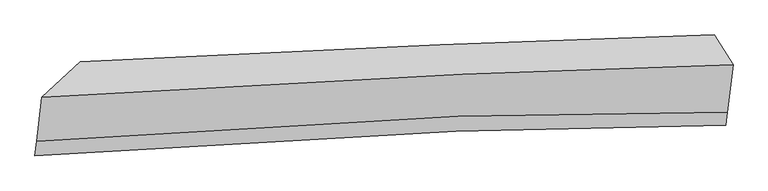
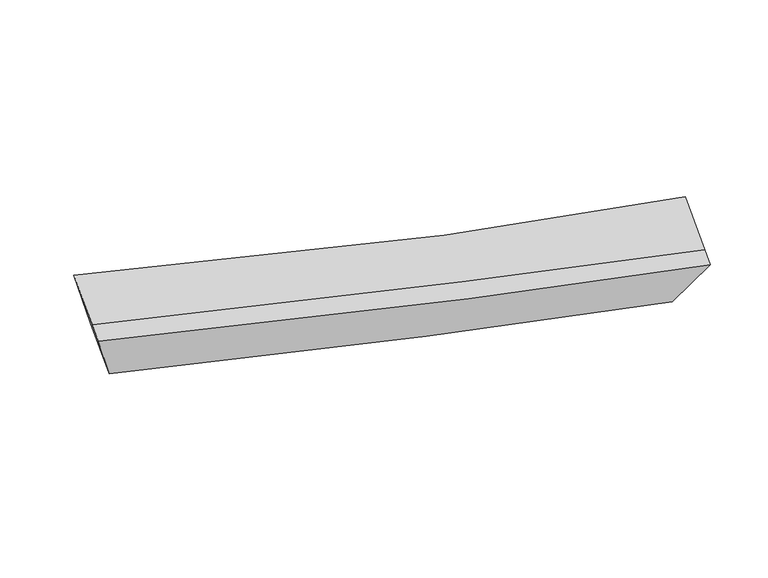
"""IFC4 building model written with IfcOpenShell, lengths in millimetres: proxy geometry."""

from ifc_helpers import new_model, si_unit, frame, origin, place, context, project, spatial, source, transform, mapped, element, save
from ifc_brep_helpers import plane_surface, spline_curve, spline_surface, advanced_brep


def generic_models_f0b296f9(model_context):
    return source(origin(), model_context, "Body", "AdvancedBrep", [
        advanced_brep(
        [(-2493.350851, -1810.0151732, 3650.7536475), (-2835.9173741, -2124.5557928, 4451.0052859), (3317.0169262, -1834.586629, 2934.428416), (3149.9976206, -1570.6299315, 2290.9066007), (-2883.0808802, -2517.2804333, 4194.2382363), (3266.3294896, -2256.6545999, 2658.476422), (-2898.5827366, -2646.3624608, 4109.8431972), (3252.3278129, -2373.2448183, 2582.2486448), (-2542.0627294, -2215.6329172, 3385.556966), (3100.0374274, -1986.6422369, 2018.9138575)],
        [
            (0, 1),
            (1, 2, spline_curve(3, [(-2835.9173741, -2124.5557928, 4451.0052859), (-1551.12409733, -2042.74640657, 4055.603185846), (-302.808147232, -1975.340792224, 3716.161431412), (1728.367341122, -1886.503845067, 3241.015255268), (2531.029491009, -1857.253071557, 3074.931386164), (3317.0169262, -1834.586629, 2934.428416)], [4, 2, 4], [0.0, 11.901186653203098, 19.94770437162308])),
            (2, 3),
            (3, 0, spline_curve(3, [(3149.9976206, -1570.6299315, 2290.9066007), (2299.526459382, -1598.858680167, 2450.46705608), (1486.031315622, -1628.684429492, 2619.420176396), (-438.996940183, -1706.582938589, 3061.54795411), (-1506.617953747, -1756.552269777, 3345.877182676), (-2493.350851, -1810.0151732, 3650.7536475)], [4, 2, 4], [0.0, 8.046517718419981, 19.94770437162308])),
            (1, 4),
            (4, 5, spline_curve(3, [(-2883.0808802, -2517.2804333, 4194.2382363), (-1595.095972052, -2408.8947286, 3816.211982416), (-345.910699153, -2334.250373403, 3481.502984255), (1682.829423252, -2265.692415321, 2993.098215197), (2483.447607063, -2253.46149245, 2815.886608205), (3266.3294896, -2256.6545999, 2658.476422)], [4, 2, 4], [0.0, 12.42264139252695, 20.82172015562176])),
            (5, 2),
            (4, 6),
            (6, 7, spline_curve(3, [(-2898.5827366, -2646.3624608, 4109.8431972), (-1611.452319694, -2545.09199923, 3727.164930628), (-362.433733369, -2471.835623039, 3391.548459016), (1667.179840267, -2396.004542405, 2907.898925575), (2468.464770652, -2378.221704544, 2734.317212867), (3252.3278129, -2373.2448183, 2582.2486448)], [4, 2, 4], [0.0, 12.422651385300286, 20.82173690461446])),
            (7, 5),
            (6, 8),
            (8, 9, spline_curve(3, [(-2542.0627294, -2215.6329172, 3385.556966), (-1552.579999906, -2139.272502539, 3095.651108544), (-483.997871752, -2081.300089559, 2816.554369769), (1439.643230059, -2014.952241017, 2366.874662052), (2251.761154345, -1996.594427048, 2190.423698269), (3100.0374274, -1986.6422369, 2018.9138575)], [4, 2, 4], [0.0, 11.90026019402533, 19.946151523631613])),
            (9, 7),
            (8, 0),
            (3, 9),
        ],
        [
            spline_surface(3, 3, [[(-2493.350851, -1810.0151732, 3650.7536475), (-1506.617953763, -1756.552269733, 3345.87718269), (-438.996940334, -1706.582938591, 3061.547954044), (1486.031315725, -1628.684429491, 2619.42017644), (2299.526459506, -1598.858680082, 2450.467056203), (3149.9976206, -1570.6299315, 2290.9066007)], [(-2607.539692021, -1914.862046391, 3917.504193639), (-1521.453334945, -1851.95031533, 3582.452517068), (-393.600675941, -1796.168889758, 3279.75244654), (1566.809990847, -1714.624234712, 2826.61853601), (2376.694136687, -1684.990143948, 2658.621832865), (3205.670722482, -1658.615497331, 2505.413872471)], [(-2721.728533079, -2019.708919609, 4184.254739761), (-1536.288716165, -1947.348360956, 3819.02785143), (-348.20441156, -1885.754840925, 3497.956939058), (1647.588665957, -1800.564039935, 3033.816895602), (2453.861813823, -1771.121607821, 2866.776609514), (3261.343824318, -1746.601063169, 2719.921144229)], [(-2835.9173741, -2124.5557928, 4451.0052859), (-1551.124097347, -2042.746406553, 4055.603185808), (-302.808147167, -1975.340792093, 3716.161431554), (1728.367341079, -1886.503845156, 3241.015255171), (2531.029491004, -1857.253071686, 3074.931386176), (3317.0169262, -1834.586629, 2934.428416)]], [4, 4], [4, 2, 4], [0.0, 2.3551312317458395], [0.0, 11.901186653203098, 19.94770437162308]),
            spline_surface(3, 3, [[(-2835.9173741, -2124.5557928, 4451.0052859), (-1551.124097347, -2042.746406553, 4055.603185808), (-302.808147167, -1975.340792093, 3716.161431554), (1728.367341079, -1886.503845156, 3241.015255171), (2531.029491004, -1857.253071686, 3074.931386176), (3317.0169262, -1834.586629, 2934.428416)], [(-2851.638542788, -2255.464006314, 4365.41626935), (-1565.78138884, -2164.795847181, 3975.806117973), (-317.175664476, -2094.977319182, 3637.9419492), (1713.188035121, -2012.900035216, 3158.376241831), (2515.168863028, -1989.32254533, 2988.583126873), (3300.12111401, -1975.27595265, 2842.444417998)], [(-2867.359711512, -2386.372219786, 4279.82725285), (-1580.438680371, -2286.845287766, 3896.00905019), (-331.543181781, -2214.61384628, 3559.722466777), (1698.008729167, -2139.296225284, 3075.737228424), (2499.308235021, -2121.392018923, 2902.234867575), (3283.22530179, -2115.96527625, 2750.460420002)], [(-2883.0808802, -2517.2804333, 4194.2382363), (-1595.095971864, -2408.894728395, 3816.211982356), (-345.91069909, -2334.250373369, 3481.502984423), (1682.829423209, -2265.692415344, 2993.098215084), (2483.447607044, -2253.461492567, 2815.886608272), (3266.3294896, -2256.6545999, 2658.476422)]], [4, 4], [4, 2, 4], [0.0, 1.4444576813147096], [0.0, 12.42264139252695, 20.82172015562176]),
            spline_surface(3, 3, [[(-2883.0808802, -2517.2804333, 4194.2382363), (-1595.095971864, -2408.894728395, 3816.211982356), (-345.91069909, -2334.250373369, 3481.502984423), (1682.829423209, -2265.692415344, 2993.098215084), (2483.447607044, -2253.461492567, 2815.886608272), (3266.3294896, -2256.6545999, 2658.476422)], [(-2888.248165672, -2560.307775811, 4166.106556618), (-1600.548087793, -2454.293818653, 3786.529631775), (-351.418377229, -2380.112123224, 3451.518142663), (1677.612895593, -2309.129791058, 2964.698451853), (2478.453328266, -2295.048229893, 2788.696809758), (3261.662264013, -2295.518006039, 2633.067162933)], [(-2893.415451128, -2603.335118289, 4137.974876882), (-1606.000203708, -2499.692908877, 3756.847281139), (-356.926055369, -2425.973873073, 3421.533300962), (1672.396367976, -2352.567166766, 2936.298688681), (2473.459049549, -2336.634967202, 2761.507011246), (3256.995038487, -2334.381412161, 2607.657903867)], [(-2898.5827366, -2646.3624608, 4109.8431972), (-1611.452319638, -2545.091999135, 3727.164930558), (-362.433733507, -2471.835622928, 3391.548459202), (1667.17984036, -2396.00454248, 2907.898925449), (2468.46477077, -2378.221704529, 2734.317212732), (3252.3278129, -2373.2448183, 2582.2486448)]], [4, 4], [4, 2, 4], [0.0, 0.531464496776444], [0.0, 12.422651385300286, 20.82173690461446]),
            spline_surface(3, 3, [[(-2898.5827366, -2646.3624608, 4109.8431972), (-1611.452319638, -2545.091999135, 3727.164930558), (-362.433733507, -2471.835622928, 3391.548459202), (1667.17984036, -2396.00454248, 2907.898925449), (2468.46477077, -2378.221704529, 2734.317212732), (3252.3278129, -2373.2448183, 2582.2486448)], [(-2779.742734217, -2502.785946267, 3868.414453451), (-1591.82821306, -2409.818833622, 3516.660323194), (-402.955112937, -2341.657111859, 3199.883762705), (1591.334303593, -2268.98710862, 2727.557504363), (2396.230231944, -2251.012612025, 2553.019374553), (3201.564351083, -2244.377291168, 2394.470382374)], [(-2660.902731783, -2359.209431733, 3626.985709749), (-1572.204106432, -2274.545668108, 3306.155715876), (-443.476492349, -2211.478600794, 3008.219066149), (1515.488766844, -2141.969674765, 2547.216083218), (2323.995693069, -2123.803519519, 2371.721536351), (3150.800889217, -2115.509764032, 2206.692119926)], [(-2542.0627294, -2215.6329172, 3385.556966), (-1552.579999854, -2139.272502595, 3095.651108512), (-483.997871778, -2081.300089725, 2816.554369652), (1439.643230077, -2014.952240905, 2366.874662132), (2251.761154243, -1996.594427016, 2190.423698172), (3100.0374274, -1986.6422369, 2018.9138575)]], [4, 4], [4, 2, 4], [0.0, 2.3054656359599024], [0.0, 11.90026019402533, 19.946151523631613]),
            spline_surface(3, 3, [[(-2542.0627294, -2215.6329172, 3385.556966), (-1552.579999854, -2139.272502595, 3095.651108512), (-483.997871778, -2081.300089725, 2816.554369652), (1439.643230077, -2014.952240905, 2366.874662132), (2251.761154243, -1996.594427016, 2190.423698172), (3100.0374274, -1986.6422369, 2018.9138575)], [(-2525.825436604, -2080.427002517, 3473.955859842), (-1537.259317827, -2011.699091624, 3179.059799913), (-468.997561294, -1956.394372683, 2898.218897768), (1455.105925296, -1886.19630377, 2451.05650022), (2267.682922642, -1864.015844683, 2277.104817506), (3116.690825112, -1847.971468412, 2109.578105224)], [(-2509.588143796, -1945.221087883, 3562.354753658), (-1521.93863579, -1884.125680704, 3262.468491288), (-453.997250818, -1831.488655633, 2979.883425928), (1470.568620506, -1757.440366626, 2535.238338353), (2283.604691106, -1731.437262415, 2363.785936869), (3133.344222888, -1709.300699988, 2200.242352976)], [(-2493.350851, -1810.0151732, 3650.7536475), (-1506.617953763, -1756.552269733, 3345.87718269), (-438.996940334, -1706.582938591, 3061.547954044), (1486.031315725, -1628.684429491, 2619.42017644), (2299.526459506, -1598.858680082, 2450.467056203), (3149.9976206, -1570.6299315, 2290.9066007)]], [4, 4], [4, 2, 4], [0.0, 1.49480751384488], [0.0, 11.376804497073028, 19.068781913464534]),
            plane_surface(frame((3204.8449468, -1941.2759039, 2456.6243797), z_axis=(0.9709100135858794, 0.03797067318628568, -0.23641483349495715), x_axis=(-0.21755769350136836, 0.5522894019958359, -0.8047639818241413))),
            plane_surface(frame((-2692.4784228, -2199.141586, 3899.2897742), z_axis=(-0.9155210427926891, 0.2913188865414734, -0.2774067889364343), x_axis=(-0.10001197686795216, -0.8327872744109738, -0.5444841228742172))),
        ],
        [
            (0, [[1, 2, 3, 4]]),
            (1, [[5, 6, 7, -2]]),
            (2, [[8, 9, 10, -6]]),
            (3, [[11, 12, 13, -9]]),
            (4, [[14, -4, 15, -12]]),
            (5, [[-13, -15, -3, -7, -10]]),
            (6, [[-14, -11, -8, -5, -1]]),
        ],
    ),
    ])


if __name__ == "__main__":
    model = new_model("IFC4")
    model_context = context("Model", 3, world=origin())
    ifc_project = project(units=[si_unit("LENGTHUNIT", "METRE", prefix="MILLI")], contexts=[model_context])
    site = spatial("IfcSite", under=ifc_project)
    building = spatial("IfcBuilding", under=site)
    placement = place(None, origin())
    generic_models_shape = generic_models_f0b296f9(model_context)
    element("IfcBuildingElementProxy", 1, Name="Generic Models", at=placement, inside=building, context=model_context, shape_type="MappedRepresentation", body=[
        mapped(generic_models_shape, transform((0.0, 0.0, 0.0), x_axis=(1.0, 0.0, 0.0), y_axis=(0.0, 1.0, 0.0), z_axis=(0.0, 0.0, 1.0))),
    ])
    save(model, "model.ifc")
